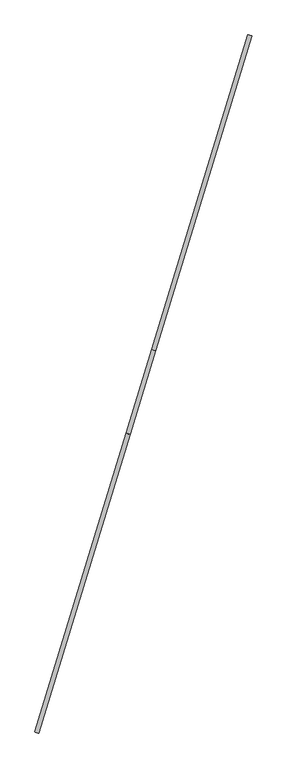
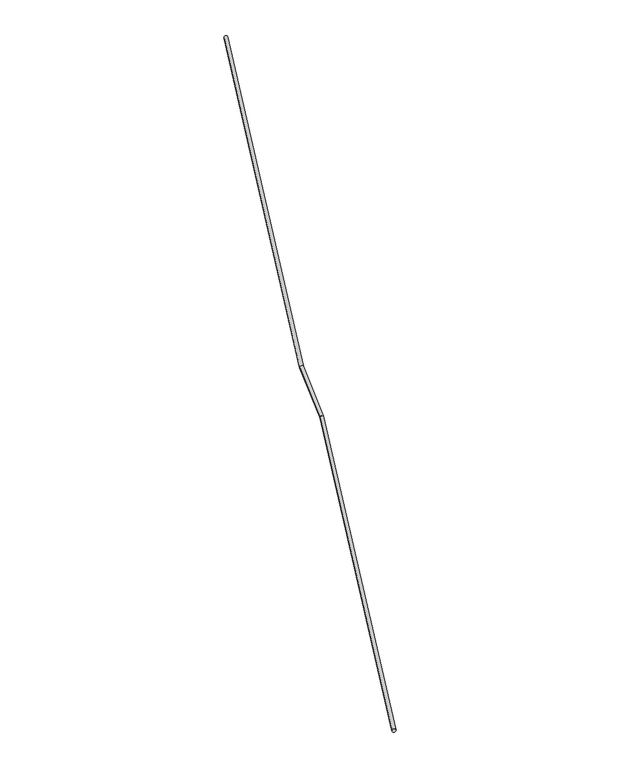
"""IFC4 building model written with IfcOpenShell, lengths in millimetres: railing geometry."""

from ifc_helpers import new_model, si_unit, frame, origin, place, context, project, spatial, ellipse_curve, source, transform, mapped, element, save
from ifc_brep_helpers import plane_surface, cylinder_surface, advanced_brep


def railing_3d436b25(model_context):
    return source(origin(), model_context, "Body", "AdvancedBrep", [
        advanced_brep(
        [(-74425.1747123, -25901.6194547, -5098.3159566), (-74463.4269025, -25889.9245865, -5098.3159566), (-73484.4538067, -22824.6600174, -3454.125), (-73522.705997, -22812.9651492, -3454.125), (-73221.3444932, -21964.0682304, -3454.125), (-73259.5966835, -21952.3733623, -3454.125), (-72232.3869269, -18729.3337849, -1725.626061), (-72270.6391171, -18717.6389167, -1725.626061)],
        [
            (0, 1, ellipse_curve(frame((-74444.3008074, -25895.7720206, -5098.3159566), z_axis=(-0.29237170472274315, -0.9563047559630335, 0.0), x_axis=(0.0, 0.0, -1.0)), 22.4599919, 20.0)),
            (1, 0, ellipse_curve(frame((-74444.3008074, -25895.7720206, -5098.3159566), z_axis=(-0.29237170472274315, -0.9563047559630335, 0.0), x_axis=(0.0, 0.0, -1.0)), 22.4599919, 20.0)),
            (0, 2),
            (2, 3, ellipse_curve(frame((-73503.5799018, -22818.8125833, -3454.125), z_axis=(-0.2842532885788097, -0.9297506132607075, -0.2340168051090995), x_axis=(0.06841989224351544, 0.22379138370110724, -0.972232551875594)), 20.57121, 20.0)),
            (3, 1),
            (3, 2, ellipse_curve(frame((-73503.5799018, -22818.8125833, -3454.125), z_axis=(-0.2842532885788097, -0.9297506132607075, -0.2340168051090995), x_axis=(0.06841989224351544, 0.22379138370110724, -0.972232551875594)), 20.57121, 20.0)),
            (2, 4),
            (4, 5, ellipse_curve(frame((-73240.4705884, -21958.2207964, -3454.125), z_axis=(-0.28425328857880955, -0.9297506132607078, -0.23401680510909828), x_axis=(-0.0684198922435163, -0.22379138370110518, 0.9722325518755944)), 20.57121, 20.0)),
            (5, 3),
            (5, 4, ellipse_curve(frame((-73240.4705884, -21958.2207964, -3454.125), z_axis=(-0.28425328857880955, -0.9297506132607078, -0.23401680510909828), x_axis=(-0.0684198922435163, -0.22379138370110518, 0.9722325518755944)), 20.57121, 20.0)),
            (6, 7, ellipse_curve(frame((-72251.513022, -18723.4863508, -1725.626061), z_axis=(0.2923717047227425, 0.9563047559630338, 0.0), x_axis=(0.0, 0.0, -1.0)), 22.4599919, 20.0)),
            (7, 6, ellipse_curve(frame((-72251.513022, -18723.4863508, -1725.626061), z_axis=(0.2923717047227425, 0.9563047559630338, 0.0), x_axis=(0.0, 0.0, -1.0)), 22.4599919, 20.0)),
            (4, 6),
            (7, 5),
        ],
        [
            plane_surface(frame((-74444.3008074, -25895.7720206, -5098.3159566), z_axis=(-0.29237170472274315, -0.9563047559630335, 0.0), x_axis=(0.9563047559630335, -0.29237170472274315, 0.0))),
            cylinder_surface(frame((-74444.3008074, -25895.7720206, -5098.3159566), z_axis=(-0.2603488955452695, -0.8515628667136786, -0.4550375112259868), x_axis=(-0.9563047559630335, 0.2923717047227431, 0.0)), 20.0),
            cylinder_surface(frame((-73503.5799018, -22818.8125833, -3454.125), z_axis=(-0.2923717047227422, -0.9563047559630339, 0.0), x_axis=(-0.9563047559630339, 0.2923717047227422, 0.0)), 20.0),
            plane_surface(frame((-72251.513022, -18723.4863508, -1725.626061), z_axis=(0.2923717047227425, 0.9563047559630338, 0.0), x_axis=(0.9563047559630338, -0.2923717047227425, 0.0))),
            cylinder_surface(frame((-73240.4705884, -21958.2207964, -3454.125), z_axis=(-0.2603488955452693, -0.8515628667136799, -0.4550375112259845), x_axis=(-0.9563047559630338, 0.29237170472274254, 0.0)), 20.0),
        ],
        [
            (0, [[1, 2]]),
            (1, [[-1, 3, 4, 5]]),
            (1, [[-2, -5, 6, -3]]),
            (2, [[-4, 7, 8, 9]]),
            (2, [[-6, -9, 10, -7]]),
            (3, [[11, 12]]),
            (4, [[-8, 13, -12, 14]]),
            (4, [[-10, -14, -11, -13]]),
        ],
    ),
    ])


if __name__ == "__main__":
    model = new_model("IFC4")
    model_context = context("Model", 3, world=origin())
    ifc_project = project(units=[si_unit("LENGTHUNIT", "METRE", prefix="MILLI")], contexts=[model_context])
    site = spatial("IfcSite", under=ifc_project)
    building = spatial("IfcBuilding", under=site)
    placement = place(None, origin())
    railing_shape = railing_3d436b25(model_context)
    element("IfcRailing", 1, at=placement, inside=building, context=model_context, shape_type="MappedRepresentation", body=[
        mapped(railing_shape, transform((0.0, 0.0, 0.0), x_axis=(1.0, 0.0, 0.0), y_axis=(0.0, 1.0, 0.0), z_axis=(0.0, 0.0, 1.0))),
    ])
    save(model, "model.ifc")
